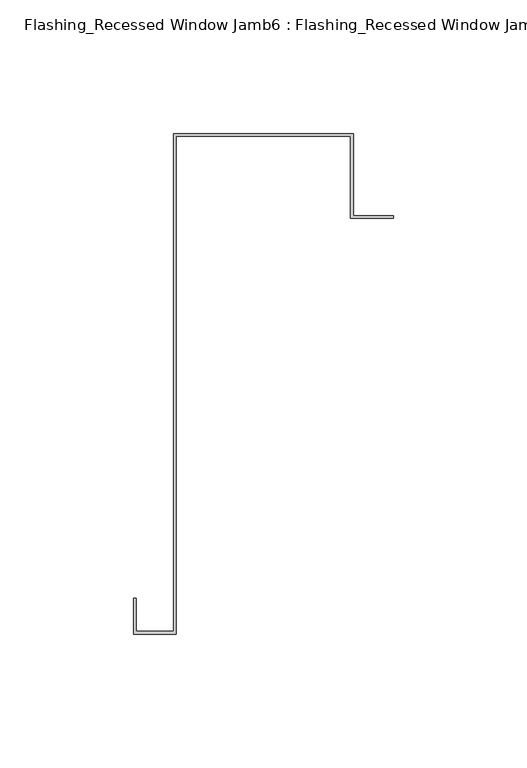
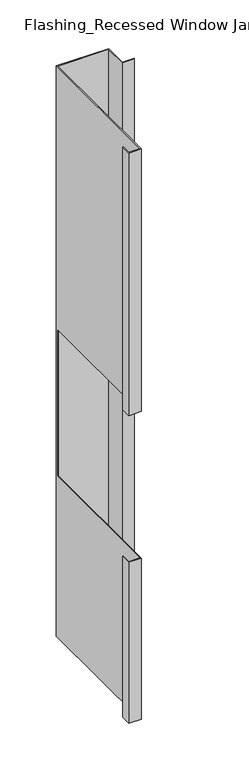
"""IFC4 building model written with IfcOpenShell, lengths in millimetres: proxy geometry, Flashing_Recessed Window Jamb6 : Flashing_Recessed Window Jamb."""

from ifc_helpers import new_model, si_unit, origin, place, context, project, spatial, faceted_brep, source, transform, mapped, element, save


def flashing_recessed_window_jamb6_flashing_recessed_window_jamb_5558724c(model_context):
    return source(origin(), model_context, "Body", "Brep", [
        faceted_brep([(12493.8541786, 627.9865096, -277.6721404), (12493.8541786, 658.7344915, -277.6721404), (12426.4791786, 658.7344915, -277.6721404), (12426.4791786, 472.3615096, -277.6721404), (12412.4791786, 472.3615096, -277.6721404), (12412.4791786, 484.6872381, -277.6721404), (12411.4791786, 484.6872381, -277.6721404), (12411.4791786, 471.3615096, -277.6721404), (12427.4791786, 471.3615096, -277.6721404), (12427.4791786, 657.7344915, -277.6721404), (12492.8541786, 657.7344915, -277.6721404), (12492.8541786, 626.9865096, -277.6721404), (12508.8541786, 626.9865096, -277.6721404), (12508.8541786, 627.9865096, -277.6721404), (12492.8541786, 626.9865096, -1055.1751138), (12492.8541786, 657.7344915, -1055.1751138), (12427.4791786, 657.7344915, -1055.1751138), (12427.4791786, 471.3615096, -1055.1751138), (12411.4791786, 471.3615096, -1055.1751138), (12411.4791786, 484.6872381, -1055.1751138), (12412.4791786, 484.6872381, -1055.1751138), (12412.4791786, 472.3615096, -1055.1751138), (12426.4791786, 472.3615096, -1055.1751138), (12426.4791786, 658.7344915, -1055.1751138), (12493.8541786, 658.7344915, -1055.1751138), (12493.8541786, 627.9865096, -1055.1751138), (12508.8541786, 627.9865096, -1055.1751138), (12508.8541786, 626.9865096, -1055.1751138), (12426.4791786, 472.3615096, -835.662203), (12426.4791786, 656.8026399, -835.662203), (12426.4791786, 656.8026399, -635.662203), (12426.4791786, 472.3615096, -635.662203), (12412.4791786, 472.3615096, -635.662203), (12412.4791786, 472.3615096, -835.662203), (12412.4791786, 484.6872381, -635.662203), (12412.4791786, 484.6872381, -835.662203), (12411.4791786, 484.6872381, -635.662203), (12411.4791786, 484.6872381, -835.662203), (12411.4791786, 471.3615096, -635.662203), (12411.4791786, 471.3615096, -835.662203), (12427.4791786, 471.3615096, -635.662203), (12427.4791786, 471.3615096, -835.662203), (12427.4791786, 656.8026399, -635.662203), (12427.4791786, 656.8026399, -835.662203)], [[[0, 1, 2, 3, 4, 5, 6, 7, 8, 9, 10, 11, 12, 13]], [[14, 15, 16, 17, 18, 19, 20, 21, 22, 23, 24, 25, 26, 27]], [[1, 0, 25, 24]], [[2, 1, 24, 23]], [[3, 2, 23, 22, 28, 29, 30, 31]], [[4, 3, 31, 32]], [[22, 21, 33, 28]], [[5, 4, 32, 34]], [[21, 20, 35, 33]], [[6, 5, 34, 36]], [[20, 19, 37, 35]], [[7, 6, 36, 38]], [[19, 18, 39, 37]], [[8, 7, 38, 40]], [[18, 17, 41, 39]], [[9, 8, 40, 42, 43, 41, 17, 16]], [[10, 9, 16, 15]], [[11, 10, 15, 14]], [[12, 11, 14, 27]], [[13, 12, 27, 26]], [[0, 13, 26, 25]], [[30, 42, 40, 38, 36, 34, 32, 31]], [[43, 29, 28, 33, 35, 37, 39, 41]], [[42, 30, 29, 43]]]),
    ])


if __name__ == "__main__":
    model = new_model("IFC4")
    model_context = context("Model", 3, world=origin())
    ifc_project = project(units=[si_unit("LENGTHUNIT", "METRE", prefix="MILLI")], contexts=[model_context])
    site = spatial("IfcSite", under=ifc_project)
    building = spatial("IfcBuilding", under=site)
    placement = place(None, origin())
    flashing_recessed_window_jamb6_flashing_recessed_window_jamb_shape = flashing_recessed_window_jamb6_flashing_recessed_window_jamb_5558724c(model_context)
    element("IfcBuildingElementProxy", 1, Name="Flashing_Recessed Window Jamb6 : Flashing_Recessed Window Jamb", ObjectType="Flashing_Recessed Window Jamb6 : Flashing_Recessed Window Jamb", at=placement, inside=building, context=model_context, shape_type="MappedRepresentation", body=[
        mapped(flashing_recessed_window_jamb6_flashing_recessed_window_jamb_shape, transform((0.0, 0.0, 0.0), x_axis=(1.0, 0.0, 0.0), y_axis=(0.0, 1.0, 0.0), z_axis=(0.0, 0.0, 1.0))),
    ])
    save(model, "model.ifc")
